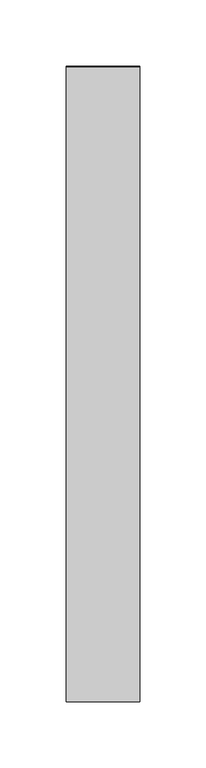
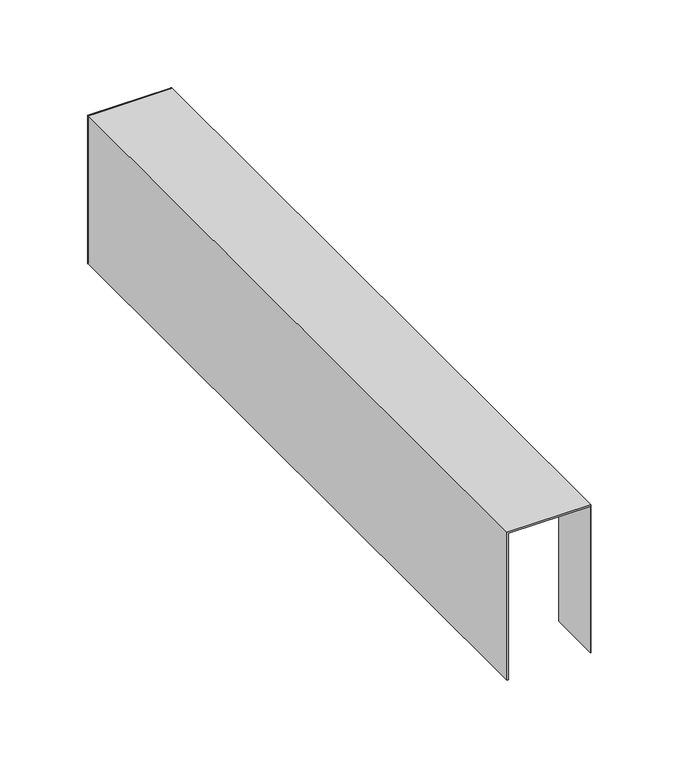
"""IFC4 building model written with IfcOpenShell, lengths in millimetres: furniture geometry."""

from ifc_helpers import new_model, si_unit, frame, origin, place, context, project, spatial, polyline, outline, extrude, source, transform, mapped, element, save


def furniture_1911e703(model_context):
    return source(origin(), model_context, "Body", "SweptSolid", [
        extrude(outline(polyline([(90.2969956, 239.3104654), (34.9250008, 239.3104654), (34.9250008, 239.6914742), (90.2969956, 239.6914742), (90.2969956, 239.3104654)])), frame((0.0, 0.0, 332.4660802), z_axis=(0.0, 0.0, 1.0), x_axis=(1.0, 0.0, 0.0)), (0.0, 0.0, 1.0), 103.1240107),
        extrude(outline(polyline([(435.5900908, 90.2773059), (435.5900908, 34.9250008), (332.4660802, 34.9250008), (332.4660802, 35.8253563), (434.6768117, 35.8253563), (434.6768117, 90.2773059), (435.5900908, 90.2773059)])), frame((0.0, -239.74287, 0.0), z_axis=(0.0, 1.0, 0.0), x_axis=(0.0, 0.0, 1.0)), (0.0, 0.0, 1.0), 479.48574),
        extrude(outline(polyline([(89.9420724, -239.74287), (89.9420724, -203.5732573), (90.3230721, -203.5732573), (90.3230721, -239.74287), (89.9420724, -239.74287)])), frame((0.0, 0.0, 332.4660802), z_axis=(0.0, 0.0, 1.0), x_axis=(1.0, 0.0, 0.0)), (0.0, 0.0, 1.0), 102.3619932),
    ])


if __name__ == "__main__":
    model = new_model("IFC4")
    model_context = context("Model", 3, world=origin())
    ifc_project = project(units=[si_unit("LENGTHUNIT", "METRE", prefix="MILLI")], contexts=[model_context])
    site = spatial("IfcSite", under=ifc_project)
    building = spatial("IfcBuilding", under=site)
    placement = place(None, origin())
    furniture_shape = furniture_1911e703(model_context)
    element("IfcFurniture", 1, at=placement, inside=building, context=model_context, shape_type="MappedRepresentation", body=[
        mapped(furniture_shape, transform((0.0, 0.0, 0.0), x_axis=(1.0, 0.0, 0.0), y_axis=(0.0, 1.0, 0.0), z_axis=(0.0, 0.0, 1.0))),
    ])
    save(model, "model.ifc")
